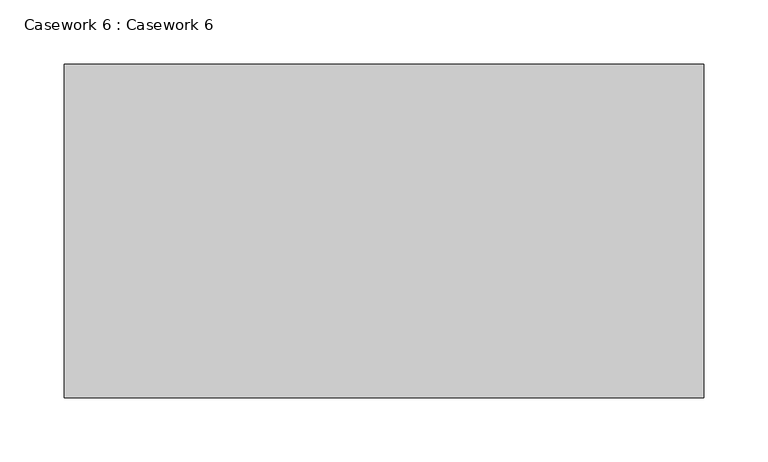
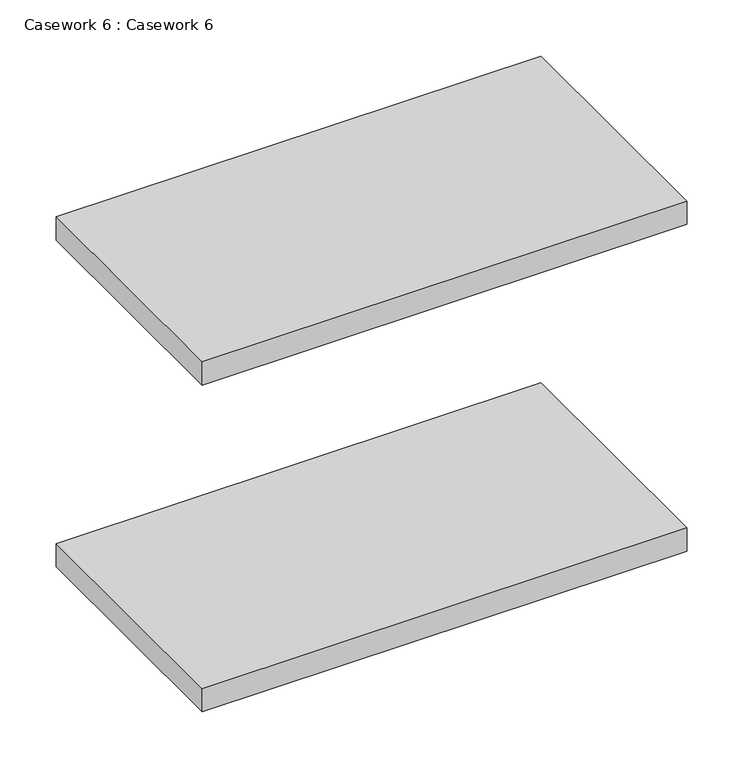
"""IFC4 building model written with IfcOpenShell, lengths in millimetres: furniture geometry, Casework 6 : Casework 6."""

from ifc_helpers import new_model, si_unit, frame, origin, place, context, project, spatial, polyline, outline, extrude, source, transform, mapped, element, save


def casework_6_casework_6_2ab6fef8(model_context):
    return source(origin(), model_context, "Body", "SweptSolid", [
        extrude(outline(polyline([(-8720.437294, -1962.2446815), (-8221.2415084, -1962.2446815), (-8221.2415084, -2222.492219), (-8720.437294, -2222.492219), (-8720.437294, -1962.2446815)])), frame((0.0, 0.0, 2506.55), z_axis=(0.0, 0.0, 1.0), x_axis=(1.0, 0.0, 0.0)), (0.0, 0.0, 1.0), 25.4),
        extrude(outline(polyline([(-8720.437294, -1962.2446815), (-8221.2415084, -1962.2446815), (-8221.2415084, -2222.492219), (-8720.437294, -2222.492219), (-8720.437294, -1962.2446815)])), frame((0.0, 0.0, 2150.95), z_axis=(0.0, 0.0, 1.0), x_axis=(1.0, 0.0, 0.0)), (0.0, 0.0, 1.0), 25.4),
    ])


if __name__ == "__main__":
    model = new_model("IFC4")
    model_context = context("Model", 3, world=origin())
    ifc_project = project(units=[si_unit("LENGTHUNIT", "METRE", prefix="MILLI")], contexts=[model_context])
    site = spatial("IfcSite", under=ifc_project)
    building = spatial("IfcBuilding", under=site)
    placement = place(None, origin())
    casework_6_casework_6_shape = casework_6_casework_6_2ab6fef8(model_context)
    element("IfcFurniture", 1, ObjectType="Casework 6 : Casework 6", at=placement, inside=building, context=model_context, shape_type="MappedRepresentation", body=[
        mapped(casework_6_casework_6_shape, transform((0.0, 0.0, 0.0), x_axis=(1.0, 0.0, 0.0), y_axis=(0.0, 1.0, 0.0), z_axis=(0.0, 0.0, 1.0))),
    ])
    save(model, "model.ifc")
